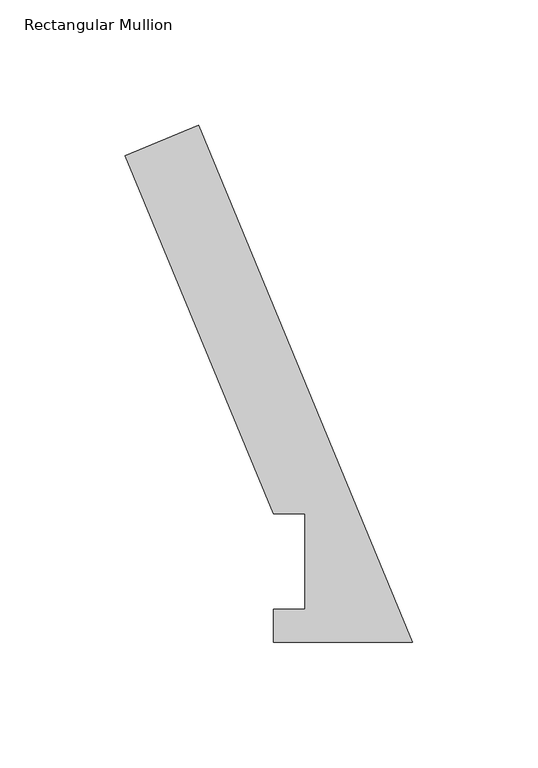
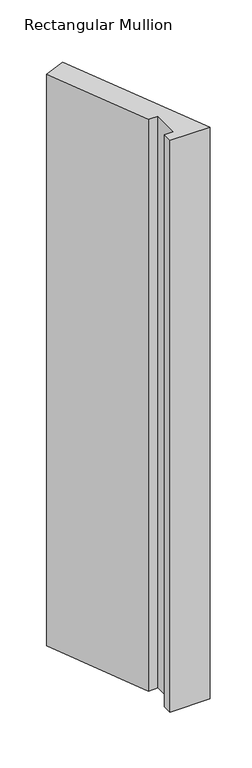
"""IFC4 building model written with IfcOpenShell, lengths in millimetres: member geometry, Rectangular Mullion."""

from ifc_helpers import new_model, si_unit, frame, origin, place, context, project, spatial, polyline, outline, extrude, source, transform, mapped, element, save


def rectangular_mullion_272f5fbe(model_context):
    return source(origin(), model_context, "Body", "SweptSolid", [
        extrude(outline(polyline([(-55.5640922, 0.060298), (-55.5640922, 13.2332912), (-42.8885138, 13.2332912), (-42.8885138, 51.2960938), (-55.5885138, 51.2960938), (-114.8134437, 194.2777227), (-85.4802686, 206.4279217), (0.0, 0.060298), (-55.5640922, 0.060298)])), frame((0.0, 0.0, -838.1999996), z_axis=(0.0, 0.0, 1.0), x_axis=(1.0, 0.0, 0.0)), (0.0, 0.0, 1.0), 838.1999996),
    ])


if __name__ == "__main__":
    model = new_model("IFC4")
    model_context = context("Model", 3, world=origin())
    ifc_project = project(units=[si_unit("LENGTHUNIT", "METRE", prefix="MILLI")], contexts=[model_context])
    site = spatial("IfcSite", under=ifc_project)
    building = spatial("IfcBuilding", under=site)
    placement = place(None, origin())
    rectangular_mullion_shape = rectangular_mullion_272f5fbe(model_context)
    element("IfcMember", 1, ObjectType="Rectangular Mullion", at=placement, inside=building, context=model_context, shape_type="MappedRepresentation", body=[
        mapped(rectangular_mullion_shape, transform((0.0, 0.0, 0.0), x_axis=(1.0, 0.0, 0.0), y_axis=(0.0, 1.0, 0.0), z_axis=(0.0, 0.0, 1.0))),
    ])
    save(model, "model.ifc")
